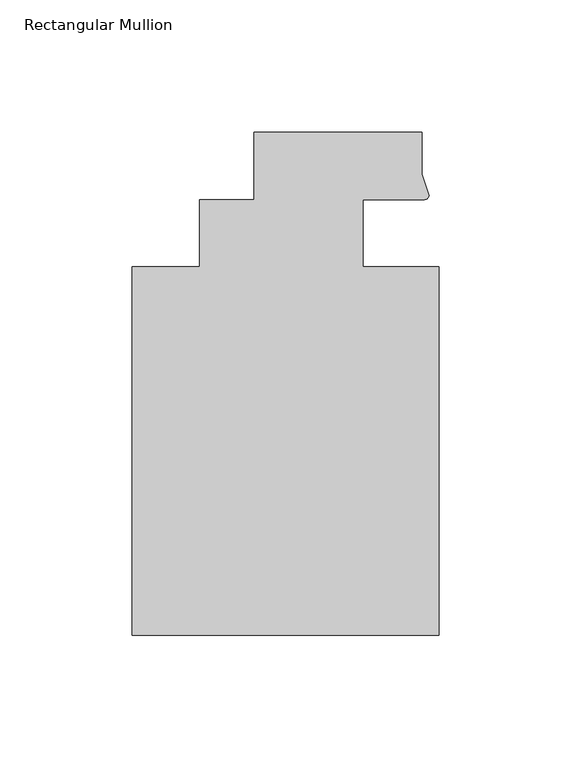
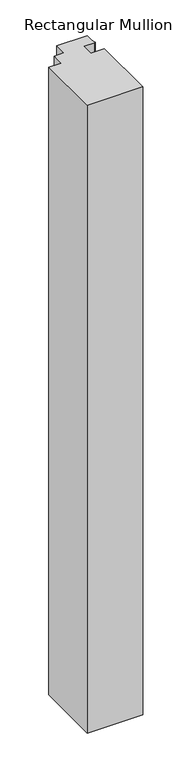
"""IFC4 building model written with IfcOpenShell, lengths in millimetres: member geometry, Rectangular Mullion."""

from ifc_helpers import new_model, si_unit, point, frame, frame_2d, origin, place, context, project, spatial, polyline, circle_curve, trimmed, segment, composite_curve, outline, extrude, source, transform, mapped, element, save


def rectangular_mullion_b6f4e6d2(model_context):
    return source(origin(), model_context, "Body", "SweptSolid", [
        extrude(outline(composite_curve([segment(polyline([(48.2997293, 12.7000881), (25.0401592, 12.7000881), (25.0401592, -12.7), (53.615046, -12.7), (53.615046, -151.892), (-62.2957636, -151.892), (-62.2957636, -12.7), (-36.8958768, -12.7), (-36.8958768, 12.7), (-16.234954, 12.7), (-16.234954, 38.1), (47.265046, 38.1), (47.265046, 22.2250977), (49.9159011, 14.2884292)]), True, "CONTINUOUS"), segment(trimmed(circle_curve(frame_2d((48.2162832, 14.401412)), 1.703369), [point((49.9159011, 14.2884292))], [point((48.2997293, 12.7000881))], False, "CARTESIAN"), True, "CONTINUOUS")], self_intersect=False)), frame((0.0, 0.0, -1389.6516552), z_axis=(0.0, 0.0, 1.0), x_axis=(1.0, 0.0, 0.0)), (0.0, 0.0, 1.0), 1389.6516552),
    ])


if __name__ == "__main__":
    model = new_model("IFC4")
    model_context = context("Model", 3, world=origin())
    ifc_project = project(units=[si_unit("LENGTHUNIT", "METRE", prefix="MILLI")], contexts=[model_context])
    site = spatial("IfcSite", under=ifc_project)
    building = spatial("IfcBuilding", under=site)
    placement = place(None, origin())
    rectangular_mullion_shape = rectangular_mullion_b6f4e6d2(model_context)
    element("IfcMember", 1, ObjectType="Rectangular Mullion", at=placement, inside=building, context=model_context, shape_type="MappedRepresentation", body=[
        mapped(rectangular_mullion_shape, transform((0.0, 0.0, 0.0), x_axis=(1.0, 0.0, 0.0), y_axis=(0.0, 1.0, 0.0), z_axis=(0.0, 0.0, 1.0))),
    ])
    save(model, "model.ifc")
